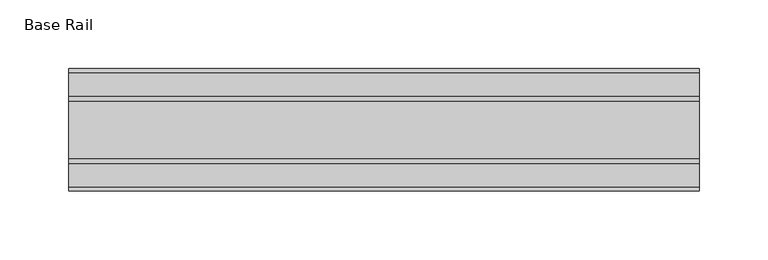
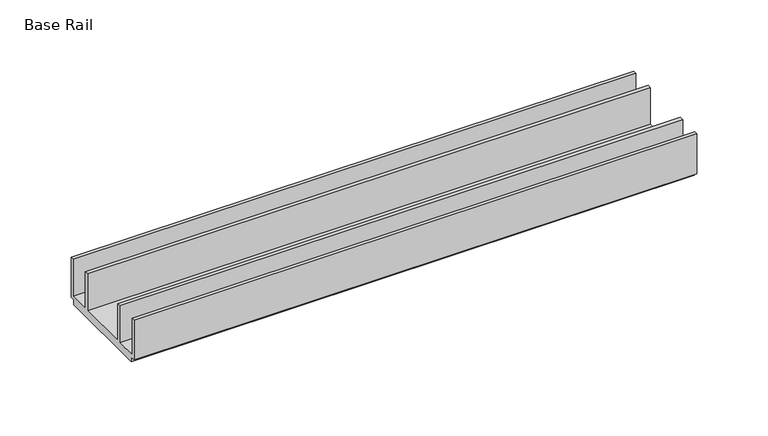
"""IFC4 building model written with IfcOpenShell, lengths in millimetres: furniture geometry, Base Rail."""

from ifc_helpers import new_model, si_unit, frame, origin, place, context, project, spatial, polyline, outline, extrude, source, transform, mapped, element, save


def base_rail_79a2a92f(model_context):
    return source(origin(), model_context, "Body", "SweptSolid", [
        extrude(outline(polyline([(-28.948195, 4.0000001), (-28.948195, 38.1), (-26.1481963, 38.1), (-26.1481963, 6.6000002), (-8.7481957, 6.6000002), (-8.7481957, 38.1), (-5.4481956, 38.1), (-5.4481956, 6.6000002), (36.4518057, 6.6000002), (36.4518057, 38.1), (39.7518058, 38.1), (39.7518058, 6.6000002), (57.1518064, 6.6000002), (57.1518064, 38.1), (59.951805, 38.1), (59.951805, 4.0000001), (55.9518063, 4.0000001), (55.9518063, 0.0), (-24.9481962, 0.0), (-24.9481962, 4.0000001), (-28.948195, 4.0000001)])), frame((-198.6228469, 0.0, 0.0), z_axis=(1.0, 0.0, 0.0), x_axis=(0.0, 1.0, 0.0)), (0.0, 0.0, 1.0), 457.2),
    ])


if __name__ == "__main__":
    model = new_model("IFC4")
    model_context = context("Model", 3, world=origin())
    ifc_project = project(units=[si_unit("LENGTHUNIT", "METRE", prefix="MILLI")], contexts=[model_context])
    site = spatial("IfcSite", under=ifc_project)
    building = spatial("IfcBuilding", under=site)
    placement = place(None, origin())
    base_rail_shape = base_rail_79a2a92f(model_context)
    element("IfcFurniture", 1, ObjectType="Base Rail", at=placement, inside=building, context=model_context, shape_type="MappedRepresentation", body=[
        mapped(base_rail_shape, transform((0.0, 0.0, 0.0), x_axis=(1.0, 0.0, 0.0), y_axis=(0.0, 1.0, 0.0), z_axis=(0.0, 0.0, 1.0))),
    ])
    save(model, "model.ifc")
